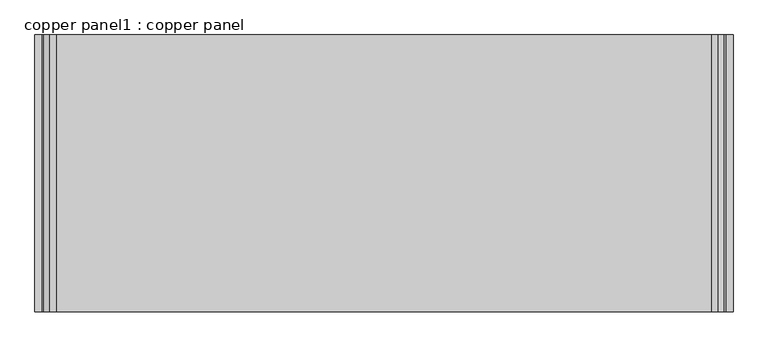
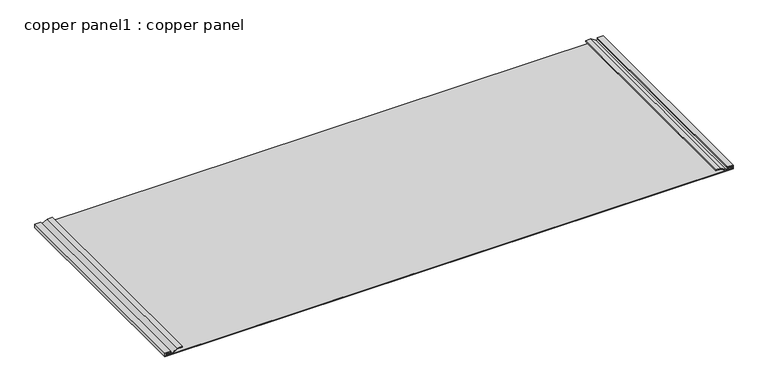
"""IFC4 building model written with IfcOpenShell, lengths in millimetres: proxy geometry, copper panel1 : copper panel."""

from ifc_helpers import new_model, si_unit, frame, origin, place, context, project, spatial, polyline, outline, extrude, source, transform, mapped, element, save


def copper_panel1_copper_panel_e0c6dabf(model_context):
    return source(origin(), model_context, "Body", "SweptSolid", [
        extrude(outline(polyline([(2561.3724609, 37027.7387075), (2576.846582, 37027.7387075), (2576.846582, 37004.6800761), (2572.7629258, 37004.6800761), (2572.7629258, 37023.7855825), (2565.3255859, 37023.7855825), (2565.3255859, 34724.34027), (2572.7629258, 34724.34027), (2572.7629258, 34743.4457765), (2576.846582, 34743.4457765), (2576.846582, 34720.387145), (2561.3724609, 34720.387145), (2561.3724609, 37027.7387075)])), frame((0.0, -25196.3529946, 0.0), z_axis=(0.0, 1.0, 0.0), x_axis=(0.0, 0.0, 1.0)), (0.0, 0.0, 1.0), 914.4),
        extrude(outline(polyline([(2566.3494258, 37020.1665353), (2569.5879258, 37020.1665353), (2569.5879258, 36998.3870264), (2581.275, 36978.1444202), (2581.275, 36956.4868686), (2577.8136722, 36956.4868686), (2577.8136722, 36976.820593), (2566.3494258, 36996.6772505), (2566.3494258, 37020.1665353)])), frame((0.0, -25196.3529946, 0.0), z_axis=(0.0, 1.0, 0.0), x_axis=(0.0, 0.0, 1.0)), (0.0, 0.0, 1.0), 914.4),
        extrude(outline(polyline([(2566.3494258, 34727.9593172), (2566.3494258, 34751.4486021), (2577.8136722, 34771.3052595), (2577.8136722, 34791.6389839), (2581.275, 34791.6389839), (2581.275, 34769.9814323), (2569.5879258, 34749.7388261), (2569.5879258, 34727.9593172), (2566.3494258, 34727.9593172)])), frame((0.0, -25196.3529946, 0.0), z_axis=(0.0, 1.0, 0.0), x_axis=(0.0, 0.0, 1.0)), (0.0, 0.0, 1.0), 914.4),
    ])


if __name__ == "__main__":
    model = new_model("IFC4")
    model_context = context("Model", 3, world=origin())
    ifc_project = project(units=[si_unit("LENGTHUNIT", "METRE", prefix="MILLI")], contexts=[model_context])
    site = spatial("IfcSite", under=ifc_project)
    building = spatial("IfcBuilding", under=site)
    placement = place(None, origin())
    copper_panel1_copper_panel_shape = copper_panel1_copper_panel_e0c6dabf(model_context)
    element("IfcBuildingElementProxy", 1, Name="copper panel1 : copper panel", ObjectType="copper panel1 : copper panel", at=placement, inside=building, context=model_context, shape_type="MappedRepresentation", body=[
        mapped(copper_panel1_copper_panel_shape, transform((0.0, 0.0, 0.0), x_axis=(1.0, 0.0, 0.0), y_axis=(0.0, 1.0, 0.0), z_axis=(0.0, 0.0, 1.0))),
    ])
    save(model, "model.ifc")
